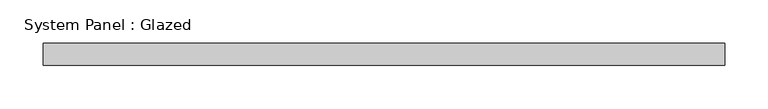
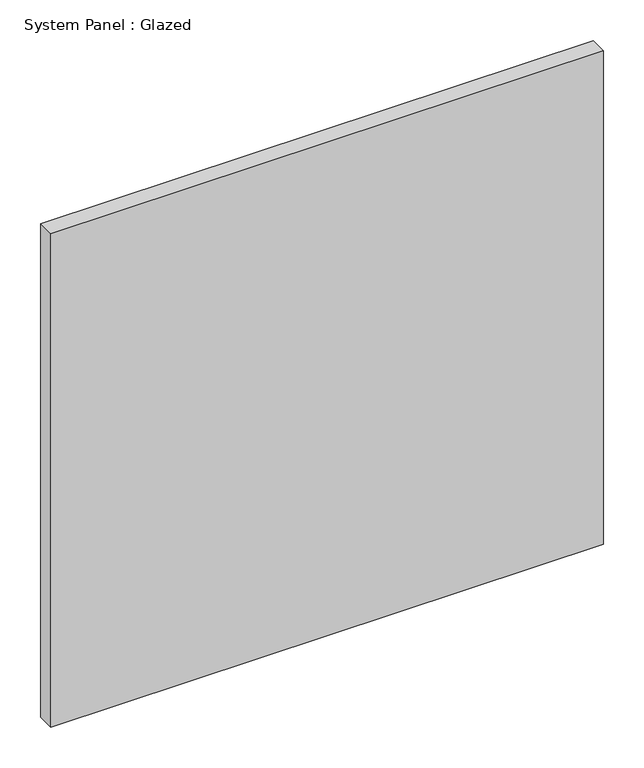
"""IFC4 building model written with IfcOpenShell, lengths in millimetres: plate geometry, System Panel : Glazed."""

from ifc_helpers import new_model, si_unit, origin, origin_with_axes, place, context, project, spatial, polyline, outline, extrude, source, transform, mapped, element, save


def system_panel_glazed_7c8ec6c0(model_context):
    return source(origin(), model_context, "Body", "SweptSolid", [
        extrude(outline(polyline([(393.7, 19.05), (-393.7, 19.05), (-393.7, 44.45), (393.7, 44.45), (393.7, 19.05)])), origin_with_axes(), (0.0, 0.0, 1.0), 742.95),
    ])


if __name__ == "__main__":
    model = new_model("IFC4")
    model_context = context("Model", 3, world=origin())
    ifc_project = project(units=[si_unit("LENGTHUNIT", "METRE", prefix="MILLI")], contexts=[model_context])
    site = spatial("IfcSite", under=ifc_project)
    building = spatial("IfcBuilding", under=site)
    placement = place(None, origin())
    system_panel_glazed_shape = system_panel_glazed_7c8ec6c0(model_context)
    element("IfcPlate", 1, ObjectType="System Panel : Glazed", at=placement, inside=building, context=model_context, shape_type="MappedRepresentation", body=[
        mapped(system_panel_glazed_shape, transform((0.0, 0.0, 0.0), x_axis=(1.0, 0.0, 0.0), y_axis=(0.0, 1.0, 0.0), z_axis=(0.0, 0.0, 1.0))),
    ])
    save(model, "model.ifc")
